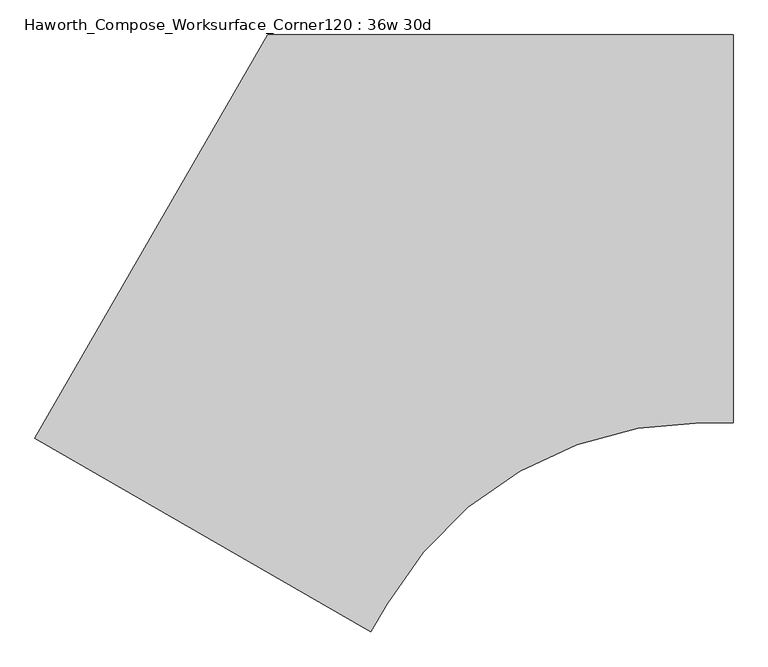
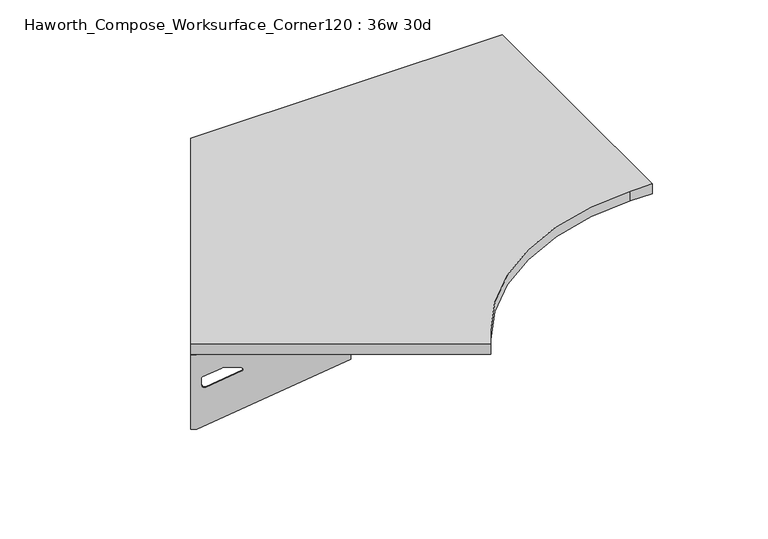
"""IFC4 building model written with IfcOpenShell, lengths in millimetres: furniture geometry, Haworth_Compose_Worksurface_Corner120 : 36w 30d."""

from ifc_helpers import new_model, si_unit, point, frame, frame_2d, origin, place, context, project, spatial, polyline, circle_curve, trimmed, segment, composite_curve, outline, extrude, source, transform, mapped, element, save
from ifc_brep_helpers import plane_surface, revolved_surface, advanced_brep


def haworth_compose_worksurface_corner120_36w_30d_84d35384(model_context):
    return source(origin(), model_context, "Body", "SolidModel", [
        advanced_brep(
        [(150.01875, 304.8, 473.86875), (150.01875, 288.925, 473.86875), (150.01875, -101.6, 690.1317568), (150.01875, -101.6, 702.46875), (150.01875, 288.925, 702.46875), (150.01875, 304.8, 702.46875), (150.01875, 221.490072, 664.36875), (150.01875, 177.8355284, 664.36875), (150.01875, 175.1564235, 654.7830539), (150.01875, 266.8776173, 603.9901439), (150.01875, 276.225, 609.5881969), (150.01875, 276.225, 633.0985246), (150.01875, 274.4730055, 635.9367776), (150.01875, 224.5663437, 663.5738425), (152.4, 304.8, 473.86875), (152.4, 304.8, 702.46875), (152.4, 288.925, 702.46875), (152.4, 288.925, 704.85), (152.4, -101.6, 704.85), (152.4, -101.6, 690.1317568), (152.4, 288.925, 473.86875), (152.4, 221.490072, 664.36875), (152.4, 224.5663437, 663.5738425), (152.4, 274.4730055, 635.9367776), (152.4, 276.225, 633.0985246), (152.4, 276.225, 609.5881969), (152.4, 266.8776173, 603.9901439), (152.4, 175.1564235, 654.7830539), (152.4, 177.8355284, 664.36875), (111.125, -101.6, 704.85), (111.125, -101.6, 702.46875), (111.125, 288.925, 702.46875), (111.125, 288.925, 704.85)],
        [
            (0, 1),
            (1, 2),
            (2, 3),
            (3, 4),
            (4, 5),
            (5, 0),
            (6, 7),
            (7, 8, circle_curve(frame((150.01875, 177.8355284, 659.2015106), z_axis=(1.0, 0.0, 0.0), x_axis=(0.0, -1.0, 0.0)), 5.1672394)),
            (8, 9),
            (9, 10, circle_curve(frame((150.01875, 269.875, 609.5881969), z_axis=(1.0, 0.0, 0.0), x_axis=(0.0, -1.0, 0.0)), 6.35)),
            (10, 11),
            (11, 12, circle_curve(frame((150.01875, 273.05, 633.0985246), z_axis=(1.0, 0.0, 0.0), x_axis=(0.0, -1.0, 0.0)), 3.175)),
            (12, 13),
            (13, 6, circle_curve(frame((150.01875, 221.490072, 658.01875), z_axis=(1.0, 0.0, 0.0), x_axis=(0.0, -1.0, 0.0)), 6.35)),
            (14, 15),
            (15, 16),
            (16, 17),
            (17, 18),
            (18, 19),
            (19, 20),
            (20, 14),
            (21, 22, circle_curve(frame((152.4, 221.490072, 658.01875), z_axis=(-1.0, 0.0, 0.0), x_axis=(0.0, -1.0, 0.0)), 6.35)),
            (22, 23),
            (23, 24, circle_curve(frame((152.4, 273.05, 633.0985246), z_axis=(-1.0, 0.0, 0.0), x_axis=(0.0, -1.0, 0.0)), 3.175)),
            (24, 25),
            (25, 26, circle_curve(frame((152.4, 269.875, 609.5881969), z_axis=(-1.0, 0.0, 0.0), x_axis=(0.0, -1.0, 0.0)), 6.35)),
            (26, 27),
            (27, 28, circle_curve(frame((152.4, 177.8355284, 659.2015106), z_axis=(-1.0, 0.0, 0.0), x_axis=(0.0, -1.0, 0.0)), 5.1672394)),
            (28, 21),
            (4, 16),
            (15, 5),
            (14, 0),
            (20, 1),
            (19, 2),
            (18, 29),
            (29, 30),
            (30, 3),
            (6, 21),
            (28, 7),
            (9, 26),
            (25, 10),
            (24, 11),
            (23, 12),
            (27, 8),
            (31, 4),
            (30, 31),
            (32, 29),
            (17, 32),
            (31, 32),
            (22, 13),
        ],
        [
            plane_surface(frame((150.01875, 304.8, 473.86875), z_axis=(-1.0, 0.0, 0.0), x_axis=(0.0, 1.0, 0.0))),
            plane_surface(frame((152.4, 304.8, 473.86875), z_axis=(1.0, 0.0, 0.0), x_axis=(0.0, -1.0, 0.0))),
            plane_surface(frame((152.4, -101.6, 702.46875), z_axis=(0.0, 0.0, 1.0), x_axis=(-1.0, 0.0, 0.0))),
            plane_surface(frame((152.4, 304.8, 702.46875), z_axis=(0.0, 1.0, 0.0), x_axis=(-1.0, 0.0, 0.0))),
            plane_surface(frame((152.4, 304.8, 473.86875), z_axis=(0.0, 0.0, -1.0), x_axis=(-1.0, 0.0, 0.0))),
            plane_surface(frame((152.4, 288.925, 473.86875), z_axis=(0.0, -0.4844522351345575, -0.8748177135112957), x_axis=(-1.0, 0.0, 0.0))),
            plane_surface(frame((152.4, -101.6, 690.1317568), z_axis=(0.0, -1.0, 0.0), x_axis=(-1.0, 0.0, 0.0))),
            plane_surface(frame((152.4, 221.490072, 664.36875), z_axis=(0.0, 0.0, -1.0), x_axis=(-1.0, 0.0, 0.0))),
            revolved_surface(polyline([(150.01875, 263.525, 609.5881969), (152.4, 263.525, 609.5881969)]), (152.4, 269.875, 609.5881969), (-1.0, 0.0, 0.0)),
            plane_surface(frame((152.4, 276.225, 609.5881969), z_axis=(0.0, -1.0, 0.0), x_axis=(-1.0, 0.0, 0.0))),
            revolved_surface(polyline([(150.01875, 269.875, 633.0985246), (152.4, 269.875, 633.0985246)]), (152.4, 273.05, 633.0985246), (-1.0, 0.0, 0.0)),
            revolved_surface(polyline([(150.01875, 172.668289, 659.2015106), (152.4, 172.668289, 659.2015106)]), (152.4, 177.8355284, 659.2015106), (-1.0, 0.0, 0.0)),
            plane_surface(frame((152.4, 288.925, 702.46875), z_axis=(0.0, 0.0, -1.0), x_axis=(-1.0, 0.0, 0.0))),
            plane_surface(frame((152.4, 288.925, 704.85), z_axis=(0.0, 0.0, 1.0), x_axis=(1.0, 0.0, 0.0))),
            plane_surface(frame((111.125, 288.925, 704.85), z_axis=(0.0, 1.0, 0.0), x_axis=(0.0, 0.0, -1.0))),
            plane_surface(frame((111.125, -101.6, 704.85), z_axis=(-1.0, 0.0, 0.0), x_axis=(0.0, 0.0, -1.0))),
            plane_surface(frame((152.4, 175.1564235, 654.7830539), z_axis=(0.0, 0.4844522351341526, 0.8748177135115199), x_axis=(-1.0, 0.0, 0.0))),
            plane_surface(frame((152.4, 274.4730055, 635.9367776), z_axis=(0.0, -0.48445223513456226, -0.874817713511293), x_axis=(-1.0, 0.0, 0.0))),
            revolved_surface(polyline([(150.01875, 215.140072, 658.01875), (152.4, 215.140072, 658.01875)]), (152.4, 221.490072, 658.01875), (-1.0, 0.0, 0.0)),
        ],
        [
            (0, [[1, 2, 3, 4, 5, 6], [7, 8, 9, 10, 11, 12, 13, 14]]),
            (1, [[15, 16, 17, 18, 19, 20, 21], [22, 23, 24, 25, 26, 27, 28, 29]]),
            (2, [[-5, 30, -16, 31]]),
            (3, [[-31, -15, 32, -6]]),
            (4, [[-32, -21, 33, -1]]),
            (5, [[-33, -20, 34, -2]]),
            (6, [[-34, -19, 35, 36, 37, -3]]),
            (7, [[38, -29, 39, -7]]),
            (8, [[40, -26, 41, -10]]),
            (9, [[-41, -25, 42, -11]]),
            (10, [[-42, -24, 43, -12]]),
            (11, [[-39, -28, 44, -8]]),
            (12, [[45, -4, -37, 46]]),
            (13, [[47, -35, -18, 48]]),
            (14, [[-17, -30, -45, 49, -48]]),
            (15, [[-36, -47, -49, -46]]),
            (16, [[-44, -27, -40, -9]]),
            (17, [[-43, -23, 50, -13]]),
            (18, [[-50, -22, -38, -14]]),
        ],
    ),
        advanced_brep(
        [(-1218.009375, -485.0314062, 473.86875), (-1218.009375, -485.0314062, 702.46875), (-1204.2612217, -492.9689062, 702.46875), (-866.0566509, -688.2314062, 702.46875), (-866.0566509, -688.2314062, 690.1317568), (-1204.2612217, -492.9689062, 473.86875), (-1145.860861, -526.6863702, 664.36875), (-1148.5249904, -525.1482344, 663.5738425), (-1191.7454274, -500.1949035, 635.9367776), (-1193.2626991, -499.3189062, 633.0985246), (-1193.2626991, -499.3189062, 609.5881969), (-1185.1676282, -503.9925976, 603.9901439), (-1105.7347443, -549.8531945, 654.7830539), (-1108.0549172, -548.513642, 664.36875), (-1219.2, -487.0936292, 473.86875), (-1205.4518467, -495.0311292, 473.86875), (-867.2472759, -690.2936292, 690.1317568), (-867.2472759, -690.2936292, 704.85), (-1205.4518467, -495.0311292, 704.85), (-1205.4518467, -495.0311292, 702.46875), (-1219.2, -487.0936292, 702.46875), (-1147.051486, -528.7485932, 664.36875), (-1109.2455422, -550.575865, 664.36875), (-1106.9253693, -551.9154175, 654.7830539), (-1186.3582532, -506.0548206, 603.9901439), (-1194.4533241, -501.3811292, 609.5881969), (-1194.4533241, -501.3811292, 633.0985246), (-1192.9360524, -502.2571265, 635.9367776), (-1149.7156154, -527.2104574, 663.5738425), (-846.6097759, -654.5484307, 702.46875), (-846.6097759, -654.5484307, 704.85), (-1184.8143467, -459.2859307, 702.46875), (-1184.8143467, -459.2859307, 704.85)],
        [
            (0, 1),
            (1, 2),
            (2, 3),
            (3, 4),
            (4, 5),
            (5, 0),
            (6, 7, circle_curve(frame((-1145.860861, -526.6863702, 658.01875), z_axis=(-0.5000000000000026, -0.8660254037844374, 0.0), x_axis=(0.8660254037844372, -0.5000000000000024, 0.0)), 6.35)),
            (7, 8),
            (8, 9, circle_curve(frame((-1190.5130684, -500.9064062, 633.0985246), z_axis=(-0.5000000000000026, -0.8660254037844374, 0.0), x_axis=(0.8660254037844372, -0.5000000000000024, 0.0)), 3.175)),
            (9, 10),
            (10, 11, circle_curve(frame((-1187.7634378, -502.4939062, 609.5881969), z_axis=(-0.5000000000000026, -0.8660254037844374, 0.0), x_axis=(0.8660254037844372, -0.5000000000000024, 0.0)), 6.35)),
            (11, 12),
            (12, 13, circle_curve(frame((-1108.0549172, -548.513642, 659.2015106), z_axis=(-0.5000000000000026, -0.8660254037844374, 0.0), x_axis=(0.8660254037844372, -0.5000000000000024, 0.0)), 5.1672394)),
            (13, 6),
            (14, 15),
            (15, 16),
            (16, 17),
            (17, 18),
            (18, 19),
            (19, 20),
            (20, 14),
            (21, 22),
            (22, 23, circle_curve(frame((-1109.2455422, -550.575865, 659.2015106), z_axis=(0.5000000000000026, 0.8660254037844374, 0.0), x_axis=(0.8660254037844372, -0.5000000000000024, 0.0)), 5.1672394)),
            (23, 24),
            (24, 25, circle_curve(frame((-1188.9540628, -504.5561292, 609.5881969), z_axis=(0.5000000000000026, 0.8660254037844374, 0.0), x_axis=(0.8660254037844372, -0.5000000000000024, 0.0)), 6.35)),
            (25, 26),
            (26, 27, circle_curve(frame((-1191.7036934, -502.9686292, 633.0985246), z_axis=(0.5000000000000026, 0.8660254037844374, 0.0), x_axis=(0.8660254037844372, -0.5000000000000024, 0.0)), 3.175)),
            (27, 28),
            (28, 21, circle_curve(frame((-1147.051486, -528.7485932, 658.01875), z_axis=(0.5000000000000026, 0.8660254037844374, 0.0), x_axis=(0.8660254037844372, -0.5000000000000024, 0.0)), 6.35)),
            (1, 20),
            (19, 2),
            (0, 14),
            (5, 15),
            (4, 16),
            (3, 29),
            (29, 30),
            (30, 17),
            (13, 22),
            (21, 6),
            (10, 25),
            (24, 11),
            (9, 26),
            (8, 27),
            (12, 23),
            (31, 29),
            (2, 31),
            (32, 18),
            (30, 32),
            (32, 31),
            (7, 28),
        ],
        [
            plane_surface(frame((-1218.009375, -485.0314062, 473.86875), z_axis=(0.5000000000000026, 0.8660254037844373, 0.0), x_axis=(-0.8660254037844373, 0.5000000000000026, 0.0))),
            plane_surface(frame((-1219.2, -487.0936292, 473.86875), z_axis=(-0.5000000000000026, -0.8660254037844373, 0.0), x_axis=(0.8660254037844373, -0.5000000000000026, 0.0))),
            plane_surface(frame((-867.2472759, -690.2936292, 702.46875), z_axis=(0.0, 0.0, 1.0), x_axis=(0.5000000000000011, 0.866025403784438, 0.0))),
            plane_surface(frame((-1219.2, -487.0936292, 702.46875), z_axis=(-0.866025403784438, 0.5000000000000011, 0.0), x_axis=(0.5000000000000011, 0.866025403784438, 0.0))),
            plane_surface(frame((-1219.2, -487.0936292, 473.86875), z_axis=(0.0, 0.0, -1.0), x_axis=(0.5000000000000011, 0.866025403784438, 0.0))),
            plane_surface(frame((-1205.4518467, -495.0311292, 473.86875), z_axis=(0.41954794254667943, -0.24222611756727808, -0.8748177135112957), x_axis=(0.5000000000000011, 0.866025403784438, 0.0))),
            plane_surface(frame((-867.2472759, -690.2936292, 690.1317568), z_axis=(0.866025403784438, -0.5000000000000011, 0.0), x_axis=(0.5000000000000011, 0.866025403784438, 0.0))),
            plane_surface(frame((-1147.051486, -528.7485932, 664.36875), z_axis=(0.0, 0.0, -1.0), x_axis=(0.5000000000000011, 0.866025403784438, 0.0))),
            revolved_surface(polyline([(-1182.2641764793268, -505.66890619573394, 609.5881969), (-1183.4548014983855, -507.7311292215063, 609.5881969)]), (-1188.9540628, -504.5561292, 609.5881969), (0.5000000000000024, 0.8660254037844372, 0.0)),
            plane_surface(frame((-1194.4533241, -501.3811292, 609.5881969), z_axis=(0.866025403784438, -0.5000000000000011, 0.0), x_axis=(0.5000000000000011, 0.866025403784438, 0.0))),
            revolved_surface(polyline([(-1187.7634377398501, -502.49390620180964, 633.0985246), (-1188.954062786454, -504.5561292752913, 633.0985246)]), (-1191.7036934, -502.9686292, 633.0985246), (0.5000000000000024, 0.8660254037844372, 0.0)),
            revolved_surface(polyline([(-1103.57995660903, -551.0972617018095, 659.2015106), (-1104.7705816345158, -553.1594847387139, 659.2015106)]), (-1109.2455422, -550.575865, 659.2015106), (0.5000000000000024, 0.8660254037844372, 0.0)),
            plane_surface(frame((-1205.4518467, -495.0311292, 702.46875), z_axis=(0.0, 0.0, -1.0), x_axis=(0.5000000000000011, 0.866025403784438, 0.0))),
            plane_surface(frame((-1205.4518467, -495.0311292, 704.85), z_axis=(0.0, 0.0, 1.0), x_axis=(-0.5000000000000011, -0.866025403784438, 0.0))),
            plane_surface(frame((-1184.8143467, -459.2859307, 704.85), z_axis=(-0.866025403784438, 0.5000000000000011, 0.0), x_axis=(0.0, 0.0, -1.0))),
            plane_surface(frame((-846.6097759, -654.5484307, 704.85), z_axis=(0.5000000000000011, 0.866025403784438, 0.0), x_axis=(0.0, 0.0, -1.0))),
            plane_surface(frame((-1106.9253693, -551.9154175, 654.7830539), z_axis=(-0.41954794254632877, 0.24222611756707563, 0.87481771351152), x_axis=(0.5000000000000011, 0.866025403784438, 0.0))),
            plane_surface(frame((-1192.9360524, -502.2571265, 635.9367776), z_axis=(0.4195479425466836, -0.24222611756728046, -0.874817713511293), x_axis=(0.5000000000000011, 0.866025403784438, 0.0))),
            revolved_surface(polyline([(-1140.3615996828346, -529.8613702018097, 658.01875), (-1141.5522246973337, -531.9235932196844, 658.01875)]), (-1147.051486, -528.7485932, 658.01875), (0.5000000000000024, 0.8660254037844372, 0.0)),
        ],
        [
            (0, [[1, 2, 3, 4, 5, 6], [7, 8, 9, 10, 11, 12, 13, 14]]),
            (1, [[15, 16, 17, 18, 19, 20, 21], [22, 23, 24, 25, 26, 27, 28, 29]]),
            (2, [[30, -20, 31, -2]]),
            (3, [[-1, 32, -21, -30]]),
            (4, [[-6, 33, -15, -32]]),
            (5, [[-5, 34, -16, -33]]),
            (6, [[-4, 35, 36, 37, -17, -34]]),
            (7, [[-14, 38, -22, 39]]),
            (8, [[-11, 40, -25, 41]]),
            (9, [[-10, 42, -26, -40]]),
            (10, [[-9, 43, -27, -42]]),
            (11, [[-13, 44, -23, -38]]),
            (12, [[45, -35, -3, 46]]),
            (13, [[47, -18, -37, 48]]),
            (14, [[-47, 49, -46, -31, -19]]),
            (15, [[-45, -49, -48, -36]]),
            (16, [[-12, -41, -24, -44]]),
            (17, [[-8, 50, -28, -43]]),
            (18, [[-7, -39, -29, -50]]),
        ],
    ),
        extrude(outline(composite_curve([segment(polyline([(-1219.2, -487.0936292), (-762.0, 304.8), (152.4, 304.8), (152.4, -457.2), (88.5524166, -457.2)]), True, "CONTINUOUS"), segment(trimmed(circle_curve(frame_2d((88.5524166, -1168.4)), 711.2), [point((88.5524166, -457.2))], [point((-527.3648506, -812.8))], True, "CARTESIAN"), True, "CONTINUOUS"), segment(polyline([(-527.3648506, -812.8), (-559.2886423, -868.0936292), (-1219.2, -487.0936292)]), True, "CONTINUOUS")], self_intersect=False)), frame((0.0, 0.0, 706.4375), z_axis=(0.0, 0.0, 1.0), x_axis=(1.0, 0.0, 0.0)), (0.0, 0.0, 1.0), 30.1625),
    ])


if __name__ == "__main__":
    model = new_model("IFC4")
    model_context = context("Model", 3, world=origin())
    ifc_project = project(units=[si_unit("LENGTHUNIT", "METRE", prefix="MILLI")], contexts=[model_context])
    site = spatial("IfcSite", under=ifc_project)
    building = spatial("IfcBuilding", under=site)
    placement = place(None, origin())
    haworth_compose_worksurface_corner120_36w_30d_shape = haworth_compose_worksurface_corner120_36w_30d_84d35384(model_context)
    element("IfcFurniture", 1, ObjectType="Haworth_Compose_Worksurface_Corner120 : 36w 30d", at=placement, inside=building, context=model_context, shape_type="MappedRepresentation", body=[
        mapped(haworth_compose_worksurface_corner120_36w_30d_shape, transform((0.0, 0.0, 0.0), x_axis=(1.0, 0.0, 0.0), y_axis=(0.0, 1.0, 0.0), z_axis=(0.0, 0.0, 1.0))),
    ])
    save(model, "model.ifc")
